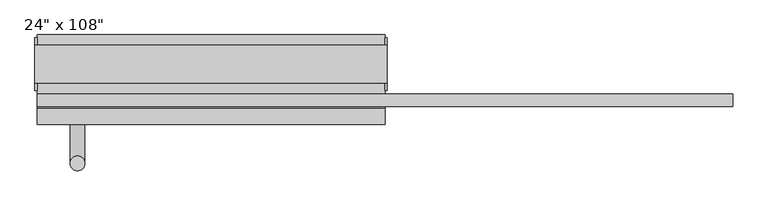
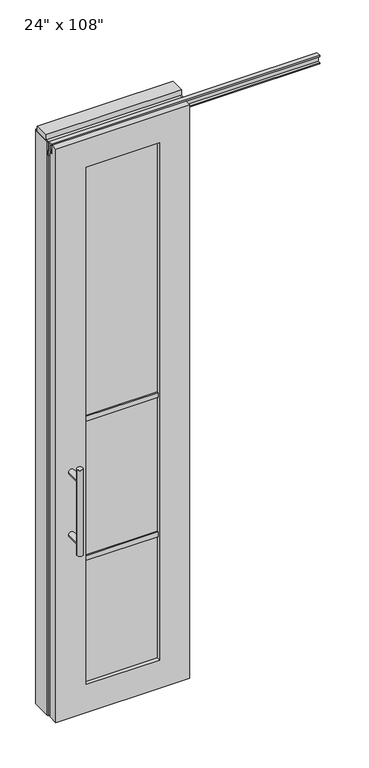
"""IFC4 building model written with IfcOpenShell, lengths in millimetres: furniture geometry."""

from ifc_helpers import new_model, si_unit, frame, origin, origin_with_axes, place, context, project, spatial, polyline, circle_curve, ellipse_curve, outline, extrude, faceted_brep, source, transform, mapped, element, save
from ifc_brep_helpers import plane_surface, cylinder_surface, advanced_brep


def furniture_2b2d3ec2(model_context):
    return source(origin(), model_context, "Body", "SolidModel", [
        advanced_brep(
        [(-303.6225229, 3.3562784, 1219.2), (-278.2225229, 3.3562784, 1219.2), (-303.6225229, 3.3562784, 812.8), (-278.2225229, 3.3562784, 812.8), (-278.2225229, 3.3562784, 1164.336), (-278.2225229, 3.3562784, 867.664), (-303.6225229, 3.3562784, 867.664), (-303.6225229, 3.3562784, 1164.336), (-303.6225229, -64.2077216, 1164.336), (-278.2225229, -64.2077216, 1164.336), (-303.6225229, -64.2077216, 867.664), (-278.2225229, -64.2077216, 867.664)],
        [
            (0, 1, circle_curve(frame((-290.9225229, 3.3562784, 1219.2), z_axis=(0.0, 0.0, 1.0), x_axis=(1.0, 0.0, 0.0)), 12.7)),
            (1, 0, circle_curve(frame((-290.9225229, 3.3562784, 1219.2), z_axis=(0.0, 0.0, 1.0), x_axis=(1.0, 0.0, 0.0)), 12.7)),
            (2, 3, circle_curve(frame((-290.9225229, 3.3562784, 812.8), z_axis=(0.0, 0.0, -1.0), x_axis=(1.0, 0.0, 0.0)), 12.7)),
            (3, 2, circle_curve(frame((-290.9225229, 3.3562784, 812.8), z_axis=(0.0, 0.0, -1.0), x_axis=(1.0, 0.0, 0.0)), 12.7)),
            (1, 4),
            (4, 5),
            (5, 3),
            (2, 6),
            (6, 7),
            (7, 0),
            (6, 5, ellipse_curve(frame((-290.9225229, 3.3562784, 867.664), z_axis=(0.0, 0.707106781186565, 0.70710678118653), x_axis=(0.0, -0.70710678118653, 0.707106781186565)), 17.9605122, 12.7)),
            (4, 7, ellipse_curve(frame((-290.9225229, 3.3562784, 1164.336), z_axis=(0.0, 0.70710678118653, -0.7071067811865649), x_axis=(0.0, 0.7071067811865648, 0.7071067811865301)), 17.9605122, 12.7)),
            (7, 4, ellipse_curve(frame((-290.9225229, 3.3562784, 1164.336), z_axis=(0.0, 0.707106781186565, 0.70710678118653), x_axis=(0.0, -0.70710678118653, 0.707106781186565)), 17.9605122, 12.7)),
            (5, 6, ellipse_curve(frame((-290.9225229, 3.3562784, 867.664), z_axis=(0.0, 0.70710678118653, -0.7071067811865649), x_axis=(0.0, 0.7071067811865648, 0.7071067811865301)), 17.9605122, 12.7)),
            (8, 9, circle_curve(frame((-290.9225229, -64.2077216, 1164.336), z_axis=(0.0, -1.0, 0.0), x_axis=(1.0, 0.0, 0.0)), 12.7)),
            (9, 8, circle_curve(frame((-290.9225229, -64.2077216, 1164.336), z_axis=(0.0, -1.0, 0.0), x_axis=(1.0, 0.0, 0.0)), 12.7)),
            (8, 7),
            (4, 9),
            (10, 11, circle_curve(frame((-290.9225229, -64.2077216, 867.664), z_axis=(0.0, -1.0, 0.0), x_axis=(1.0, 0.0, 0.0)), 12.7)),
            (11, 10, circle_curve(frame((-290.9225229, -64.2077216, 867.664), z_axis=(0.0, -1.0, 0.0), x_axis=(1.0, 0.0, 0.0)), 12.7)),
            (10, 6),
            (5, 11),
        ],
        [
            plane_surface(frame((-278.2225229, 3.3562784, 1219.2), z_axis=(0.0, 0.0, 1.0), x_axis=(0.0, -1.0, 0.0))),
            plane_surface(frame((-278.2225229, 3.3562784, 812.8), z_axis=(0.0, 0.0, -1.0), x_axis=(0.0, 1.0, 0.0))),
            cylinder_surface(frame((-290.9225229, 3.3562784, 812.8), z_axis=(0.0, 0.0, 1.0), x_axis=(1.0, 0.0, 0.0)), 12.7),
            plane_surface(frame((-278.2225229, -64.2077216, 1164.336), z_axis=(0.0, -1.0, 0.0), x_axis=(0.0, 0.0, -1.0))),
            cylinder_surface(frame((-290.9225229, -64.2077216, 1164.336), z_axis=(0.0, 1.0, 0.0), x_axis=(1.0, 0.0, 0.0)), 12.7),
            plane_surface(frame((-278.2225229, -64.2077216, 867.664), z_axis=(0.0, -1.0, 0.0), x_axis=(0.0, 0.0, -1.0))),
            cylinder_surface(frame((-290.9225229, -64.2077216, 867.664), z_axis=(0.0, 1.0, 0.0), x_axis=(1.0, 0.0, 0.0)), 12.7),
        ],
        [
            (0, [[1, 2]]),
            (1, [[3, 4]]),
            (2, [[5, 6, 7, -3, 8, 9, 10, -2]]),
            (2, [[-9, 11, -6, 12]]),
            (2, [[-10, 13, -5, -1]]),
            (2, [[-7, 14, -8, -4]]),
            (3, [[15, 16]]),
            (4, [[17, -12, 18, -15]]),
            (4, [[-18, -13, -17, -16]]),
            (5, [[19, 20]]),
            (6, [[21, -14, 22, -19]]),
            (6, [[-22, -11, -21, -20]]),
        ],
    ),
        advanced_brep(
        [(-303.6225229, -176.2217216, 1219.2), (-278.2225229, -176.2217216, 1219.2), (-303.6225229, -176.2217216, 812.8), (-278.2225229, -176.2217216, 812.8), (-303.6225229, -176.2217216, 1164.336), (-303.6225229, -176.2217216, 867.664), (-278.2225229, -176.2217216, 867.664), (-278.2225229, -176.2217216, 1164.336), (-303.6225229, -108.6577216, 1164.336), (-278.2225229, -108.6577216, 1164.336), (-303.6225229, -108.6577216, 867.664), (-278.2225229, -108.6577216, 867.664)],
        [
            (0, 1, circle_curve(frame((-290.9225229, -176.2217216, 1219.2), z_axis=(0.0, 0.0, 1.0), x_axis=(1.0, 0.0, 0.0)), 12.7)),
            (1, 0, circle_curve(frame((-290.9225229, -176.2217216, 1219.2), z_axis=(0.0, 0.0, 1.0), x_axis=(1.0, 0.0, 0.0)), 12.7)),
            (2, 3, circle_curve(frame((-290.9225229, -176.2217216, 812.8), z_axis=(0.0, 0.0, -1.0), x_axis=(1.0, 0.0, 0.0)), 12.7)),
            (3, 2, circle_curve(frame((-290.9225229, -176.2217216, 812.8), z_axis=(0.0, 0.0, -1.0), x_axis=(1.0, 0.0, 0.0)), 12.7)),
            (0, 4),
            (4, 5),
            (5, 2),
            (3, 6),
            (6, 7),
            (7, 1),
            (7, 4, ellipse_curve(frame((-290.9225229, -176.2217216, 1164.336), z_axis=(0.0, -0.707106781186565, 0.70710678118653), x_axis=(0.0, 0.70710678118653, 0.707106781186565)), 17.9605122, 12.7)),
            (5, 6, ellipse_curve(frame((-290.9225229, -176.2217216, 867.664), z_axis=(0.0, -0.70710678118653, -0.7071067811865649), x_axis=(0.0, -0.7071067811865648, 0.7071067811865301)), 17.9605122, 12.7)),
            (4, 7, ellipse_curve(frame((-290.9225229, -176.2217216, 1164.336), z_axis=(0.0, -0.70710678118653, -0.7071067811865649), x_axis=(0.0, -0.7071067811865648, 0.7071067811865301)), 17.9605122, 12.7)),
            (6, 5, ellipse_curve(frame((-290.9225229, -176.2217216, 867.664), z_axis=(0.0, -0.707106781186565, 0.70710678118653), x_axis=(0.0, 0.70710678118653, 0.707106781186565)), 17.9605122, 12.7)),
            (8, 9, circle_curve(frame((-290.9225229, -108.6577216, 1164.336), z_axis=(0.0, 1.0, 0.0), x_axis=(1.0, 0.0, 0.0)), 12.7)),
            (9, 8, circle_curve(frame((-290.9225229, -108.6577216, 1164.336), z_axis=(0.0, 1.0, 0.0), x_axis=(1.0, 0.0, 0.0)), 12.7)),
            (9, 7),
            (4, 8),
            (10, 11, circle_curve(frame((-290.9225229, -108.6577216, 867.664), z_axis=(0.0, 1.0, 0.0), x_axis=(1.0, 0.0, 0.0)), 12.7)),
            (11, 10, circle_curve(frame((-290.9225229, -108.6577216, 867.664), z_axis=(0.0, 1.0, 0.0), x_axis=(1.0, 0.0, 0.0)), 12.7)),
            (11, 6),
            (5, 10),
        ],
        [
            plane_surface(frame((-278.2225229, -176.2217216, 1219.2), z_axis=(0.0, 0.0, 1.0), x_axis=(0.0, 1.0, 0.0))),
            plane_surface(frame((-278.2225229, -176.2217216, 812.8), z_axis=(0.0, 0.0, -1.0), x_axis=(0.0, -1.0, 0.0))),
            cylinder_surface(frame((-290.9225229, -176.2217216, 812.8), z_axis=(0.0, 0.0, 1.0), x_axis=(1.0, 0.0, 0.0)), 12.7),
            plane_surface(frame((-278.2225229, -108.6577216, 1164.336), z_axis=(0.0, 1.0, 0.0), x_axis=(0.0, 0.0, -1.0))),
            cylinder_surface(frame((-290.9225229, -108.6577216, 1164.336), z_axis=(0.0, -1.0, 0.0), x_axis=(1.0, 0.0, 0.0)), 12.7),
            plane_surface(frame((-278.2225229, -108.6577216, 867.664), z_axis=(0.0, 1.0, 0.0), x_axis=(0.0, 0.0, -1.0))),
            cylinder_surface(frame((-290.9225229, -108.6577216, 867.664), z_axis=(0.0, -1.0, 0.0), x_axis=(1.0, 0.0, 0.0)), 12.7),
        ],
        [
            (0, [[1, 2]]),
            (1, [[3, 4]]),
            (2, [[-1, 5, 6, 7, -4, 8, 9, 10]]),
            (2, [[-2, -10, 11, -5]]),
            (2, [[-3, -7, 12, -8]]),
            (2, [[13, -9, 14, -6]]),
            (3, [[15, 16]]),
            (4, [[-16, 17, -13, 18]]),
            (4, [[-15, -18, -11, -17]]),
            (5, [[19, 20]]),
            (6, [[-20, 21, -12, 22]]),
            (6, [[-19, -22, -14, -21]]),
        ],
    ),
        extrude(outline(polyline([(-224.8825229, -97.5452216), (-224.8825229, -75.3202216), (104.8094771, -75.3202216), (104.8094771, -97.5452216), (-224.8825229, -97.5452216)])), frame((0.0, 0.0, 1371.6), z_axis=(0.0, 0.0, 1.0), x_axis=(1.0, 0.0, 0.0)), (0.0, 0.0, 1.0), 22.225),
        extrude(outline(polyline([(-224.8825229, -97.5452216), (-224.8825229, -75.3202216), (104.8094771, -75.3202216), (104.8094771, -97.5452216), (-224.8825229, -97.5452216)])), frame((0.0, 0.0, 711.2), z_axis=(0.0, 0.0, 1.0), x_axis=(1.0, 0.0, 0.0)), (0.0, 0.0, 1.0), 22.225),
        extrude(outline(polyline([(104.8094771, -91.5127216), (-224.8825229, -91.5127216), (-224.8825229, -81.3527216), (104.8094771, -81.3527216), (104.8094771, -91.5127216)])), frame((0.0, 0.0, 132.969), z_axis=(0.0, 0.0, 1.0), x_axis=(1.0, 0.0, 0.0)), (0.0, 0.0, 1.0), 2451.862),
        extrude(outline(polyline([(-77.9237216, 2681.478), (-77.9237216, 2686.812), (-65.2237216, 2686.812), (-65.2237216, 2715.768), (-77.9237216, 2715.768), (-77.9237216, 2721.102), (-56.2067216, 2721.102), (-56.2067216, 2681.478), (-77.9237216, 2681.478)])), frame((-360.8995229, 0.0, 0.0), z_axis=(1.0, 0.0, 0.0), x_axis=(0.0, 1.0, 0.0)), (0.0, 0.0, 1.0), 1203.452),
        faceted_brep([(-360.8995229, -108.6577216, 0.0), (240.8264771, -108.6577216, 0.0), (240.8264771, -108.6577216, 2717.8), (-360.8995229, -108.6577216, 2717.8), (104.8094771, -108.6577216, 2584.831), (104.8094771, -108.6577216, 132.969), (-224.8825229, -108.6577216, 132.969), (-224.8825229, -108.6577216, 2584.831), (-360.8995229, -81.2257216, 2717.8), (240.8264771, -81.2257216, 2717.8), (240.8264771, -81.2257216, 2673.223), (-360.8995229, -81.2257216, 2673.223), (-360.8995229, -64.2077216, 2673.223), (-360.8995229, -64.2077216, 0.0), (240.8264771, -64.2077216, 0.0), (240.8264771, -64.2077216, 2673.223), (104.8094771, -64.2077216, 2584.831), (-224.8825229, -64.2077216, 2584.831), (-224.8825229, -64.2077216, 132.969), (104.8094771, -64.2077216, 132.969)], [[[0, 1, 2, 3], [4, 5, 6, 7]], [[8, 9, 10, 11]], [[0, 3, 8, 11, 12, 13]], [[2, 1, 14, 15, 10, 9]], [[3, 2, 9, 8]], [[15, 14, 13, 12], [16, 17, 18, 19]], [[15, 12, 11, 10]], [[1, 0, 13, 14]], [[5, 4, 16, 19]], [[6, 5, 19, 18]], [[7, 6, 18, 17]], [[4, 7, 17, 16]]]),
        extrude(outline(polyline([(-360.8995229, -55.3177216), (-360.8995229, 46.2822784), (240.8264771, 46.2822784), (240.8264771, -55.3177216), (-360.8995229, -55.3177216)])), frame((0.0, 0.0, 2654.3), z_axis=(0.0, 0.0, 1.0), x_axis=(1.0, 0.0, 0.0)), (0.0, 0.0, 1.0), 22.225),
        extrude(outline(polyline([(244.7634771, -50.3647216), (240.8264771, -50.3647216), (240.8264771, 41.3292784), (244.7634771, 41.3292784), (244.7634771, -50.3647216)])), origin_with_axes(), (0.0, 0.0, 1.0), 2717.8),
        extrude(outline(polyline([(-364.8365229, -50.3647216), (-364.8365229, 41.3292784), (-360.8995229, 41.3292784), (-360.8995229, -50.3647216), (-364.8365229, -50.3647216)])), origin_with_axes(), (0.0, 0.0, 1.0), 2717.8),
        extrude(outline(polyline([(218.6014771, -55.3177216), (218.6014771, 46.2822784), (240.8264771, 46.2822784), (240.8264771, -55.3177216), (218.6014771, -55.3177216)])), origin_with_axes(), (0.0, 0.0, 1.0), 2654.3),
        extrude(outline(polyline([(-338.6745229, -55.3177216), (-360.8995229, -55.3177216), (-360.8995229, 46.2822784), (-338.6745229, 46.2822784), (-338.6745229, -55.3177216)])), origin_with_axes(), (0.0, 0.0, 1.0), 2654.3),
        extrude(outline(polyline([(-55.3177216, 2681.478), (-55.3177216, 2717.8), (46.2822784, 2717.8), (46.2822784, 2681.478), (41.3292784, 2681.478), (41.3292784, 2676.525), (-50.3647216, 2676.525), (-50.3647216, 2681.478), (-55.3177216, 2681.478)])), frame((-360.8995229, 0.0, 0.0), z_axis=(1.0, 0.0, 0.0), x_axis=(0.0, 1.0, 0.0)), (0.0, 0.0, 1.0), 601.726),
        extrude(outline(polyline([(-364.8365229, -37.0297216), (-364.8365229, 27.9942784), (244.7634771, 27.9942784), (244.7634771, -37.0297216), (-364.8365229, -37.0297216)])), frame((0.0, 0.0, 2717.8), z_axis=(0.0, 0.0, 1.0), x_axis=(1.0, 0.0, 0.0)), (0.0, 0.0, 1.0), 25.4),
    ])


if __name__ == "__main__":
    model = new_model("IFC4")
    model_context = context("Model", 3, world=origin())
    ifc_project = project(units=[si_unit("LENGTHUNIT", "METRE", prefix="MILLI")], contexts=[model_context])
    site = spatial("IfcSite", under=ifc_project)
    building = spatial("IfcBuilding", under=site)
    placement = place(None, origin())
    furniture_shape = furniture_2b2d3ec2(model_context)
    element("IfcFurniture", 1, ObjectType="24\" x 108\"", at=placement, inside=building, context=model_context, shape_type="MappedRepresentation", body=[
        mapped(furniture_shape, transform((0.0, 0.0, 0.0), x_axis=(1.0, 0.0, 0.0), y_axis=(0.0, 1.0, 0.0), z_axis=(0.0, 0.0, 1.0))),
    ])
    save(model, "model.ifc")
